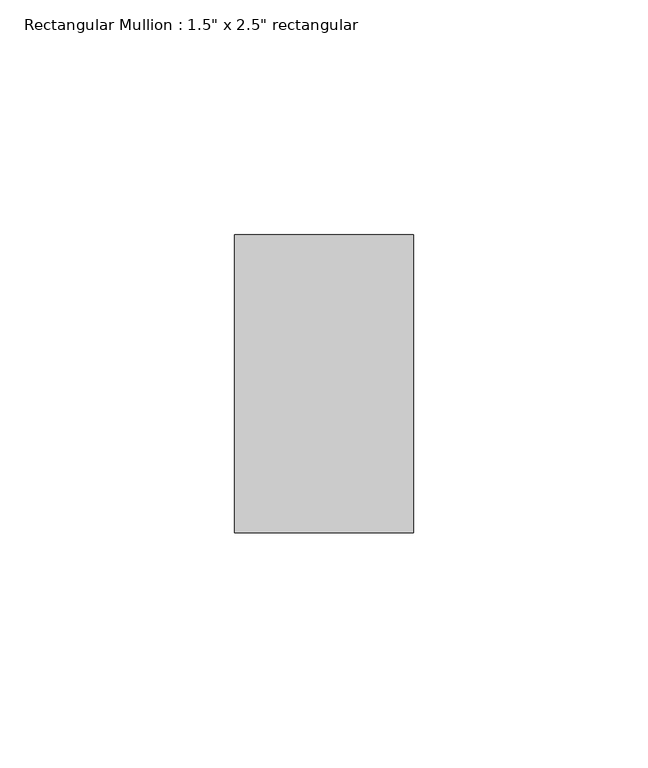
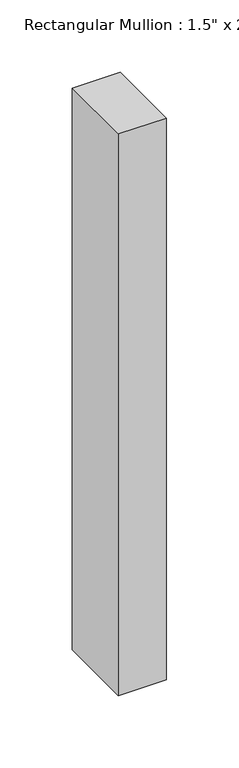
"""IFC4 building model written with IfcOpenShell, lengths in millimetres: member geometry."""

from ifc_helpers import new_model, si_unit, frame, origin, place, context, project, spatial, polyline, outline, extrude, source, transform, mapped, element, save


def member_999b9f1f(model_context):
    return source(origin(), model_context, "Body", "SweptSolid", [
        extrude(outline(polyline([(19.05, 82.55), (19.05, 19.05), (-19.05, 19.05), (-19.05, 82.55), (19.05, 82.55)])), frame((0.0, 0.0, -473.2190621), z_axis=(0.0, 0.0, 1.0), x_axis=(1.0, 0.0, 0.0)), (0.0, 0.0, 1.0), 473.2190621),
    ])


if __name__ == "__main__":
    model = new_model("IFC4")
    model_context = context("Model", 3, world=origin())
    ifc_project = project(units=[si_unit("LENGTHUNIT", "METRE", prefix="MILLI")], contexts=[model_context])
    site = spatial("IfcSite", under=ifc_project)
    building = spatial("IfcBuilding", under=site)
    placement = place(None, origin())
    member_shape = member_999b9f1f(model_context)
    element("IfcMember", 1, ObjectType="Rectangular Mullion : 1.5\" x 2.5\" rectangular", at=placement, inside=building, context=model_context, shape_type="MappedRepresentation", body=[
        mapped(member_shape, transform((0.0, 0.0, 0.0), x_axis=(1.0, 0.0, 0.0), y_axis=(0.0, 1.0, 0.0), z_axis=(0.0, 0.0, 1.0))),
    ])
    save(model, "model.ifc")
